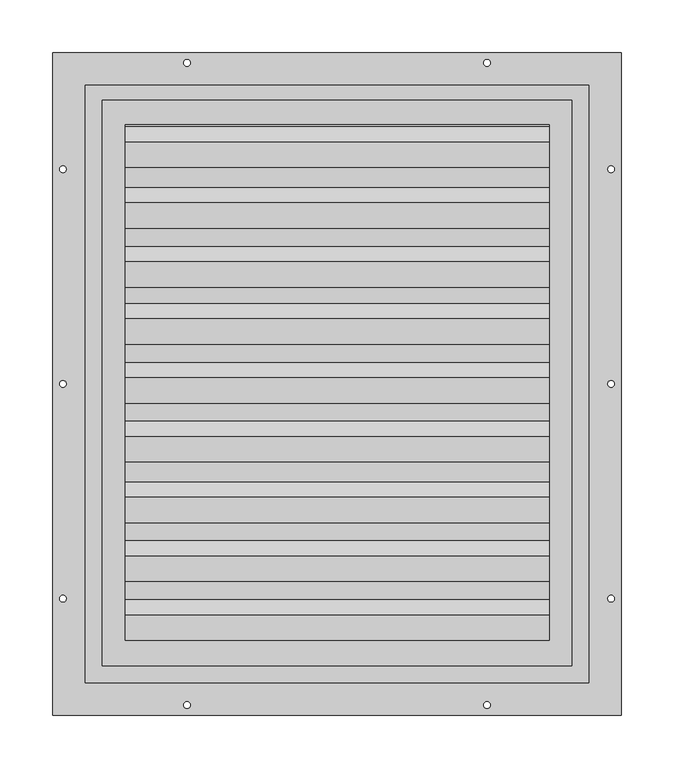
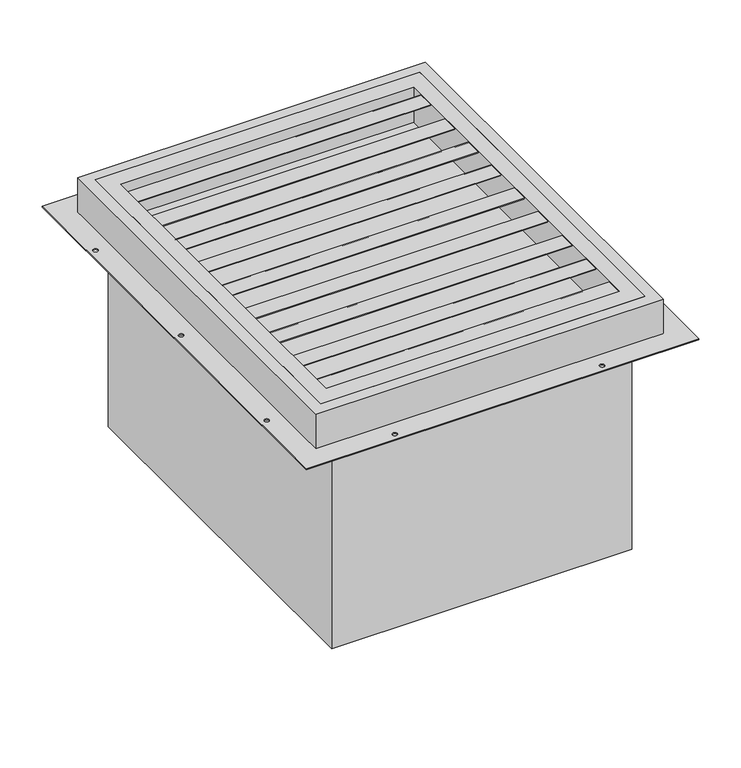
"""IFC4 building model written with IfcOpenShell, lengths in millimetres: proxy geometry."""

from ifc_helpers import new_model, si_unit, point, frame, frame_2d, origin, origin_with_axes, place, context, project, spatial, polyline, circle_curve, trimmed, segment, composite_curve, outline, extrude, source, transform, mapped, element, save


def generic_models_f74334f6(model_context):
    return source(origin(), model_context, "Body", "SweptSolid", [
        extrude(outline(polyline([(-204.3155681, 26.8411275), (-205.3315681, 26.8411275), (-205.3315681, 34.9292863), (-219.1048184, 48.7025366), (-242.6454412, 48.7025366), (-242.6454412, 49.7185366), (-218.6839774, 49.7185366), (-204.3155681, 35.3501273), (-204.3155681, 26.8411275)])), frame((-200.6346, 0.0, 0.0), z_axis=(1.0, 0.0, 0.0), x_axis=(0.0, 1.0, 0.0)), (0.0, 0.0, 1.0), 406.2222),
        extrude(outline(polyline([(-148.5879681, 26.8411275), (-149.6039681, 26.8411275), (-149.6039681, 34.9292863), (-163.3772184, 48.7025366), (-186.9178412, 48.7025366), (-186.9178412, 49.7185366), (-162.9563774, 49.7185366), (-148.5879681, 35.3501273), (-148.5879681, 26.8411275)])), frame((-200.6346, 0.0, 0.0), z_axis=(1.0, 0.0, 0.0), x_axis=(0.0, 1.0, 0.0)), (0.0, 0.0, 1.0), 406.2222),
        extrude(outline(polyline([(-92.8603681, 26.8411275), (-93.8763681, 26.8411275), (-93.8763681, 34.9292863), (-107.6496184, 48.7025366), (-131.1902412, 48.7025366), (-131.1902412, 49.7185366), (-107.2287774, 49.7185366), (-92.8603681, 35.3501273), (-92.8603681, 26.8411275)])), frame((-200.6346, 0.0, 0.0), z_axis=(1.0, 0.0, 0.0), x_axis=(0.0, 1.0, 0.0)), (0.0, 0.0, 1.0), 406.2222),
        extrude(outline(polyline([(-35.422907, 26.8411275), (-36.438907, 26.8411275), (-36.438907, 34.9292863), (-50.2121574, 48.7025366), (-73.7527802, 48.7025366), (-73.7527802, 49.7185366), (-49.7913164, 49.7185366), (-35.422907, 35.3501273), (-35.422907, 26.8411275)])), frame((-200.6346, 0.0, 0.0), z_axis=(1.0, 0.0, 0.0), x_axis=(0.0, 1.0, 0.0)), (0.0, 0.0, 1.0), 406.2222),
        extrude(outline(polyline([(20.304693, 26.8411275), (19.288693, 26.8411275), (19.288693, 34.9292863), (5.5154426, 48.7025366), (-18.0251802, 48.7025366), (-18.0251802, 49.7185366), (5.9362836, 49.7185366), (20.304693, 35.3501273), (20.304693, 26.8411275)])), frame((-200.6346, 0.0, 0.0), z_axis=(1.0, 0.0, 0.0), x_axis=(0.0, 1.0, 0.0)), (0.0, 0.0, 1.0), 406.2222),
        extrude(outline(polyline([(76.032293, 26.8411275), (75.016293, 26.8411275), (75.016293, 34.9292863), (61.2430426, 48.7025366), (37.7024198, 48.7025366), (37.7024198, 49.7185366), (61.6638836, 49.7185366), (76.032293, 35.3501273), (76.032293, 26.8411275)])), frame((-200.6346, 0.0, 0.0), z_axis=(1.0, 0.0, 0.0), x_axis=(0.0, 1.0, 0.0)), (0.0, 0.0, 1.0), 406.2222),
        extrude(outline(polyline([(130.0500319, 26.8411275), (129.0340319, 26.8411275), (129.0340319, 34.9292863), (115.2607816, 48.7025366), (91.7201588, 48.7025366), (91.7201588, 49.7185366), (115.6816226, 49.7185366), (130.0500319, 35.3501273), (130.0500319, 26.8411275)])), frame((-200.6346, 0.0, 0.0), z_axis=(1.0, 0.0, 0.0), x_axis=(0.0, 1.0, 0.0)), (0.0, 0.0, 1.0), 406.2222),
        extrude(outline(polyline([(185.7776319, 26.8411275), (184.7616319, 26.8411275), (184.7616319, 34.9292863), (170.9883816, 48.7025366), (147.4477588, 48.7025366), (147.4477588, 49.7185366), (171.4092226, 49.7185366), (185.7776319, 35.3501273), (185.7776319, 26.8411275)])), frame((-200.6346, 0.0, 0.0), z_axis=(1.0, 0.0, 0.0), x_axis=(0.0, 1.0, 0.0)), (0.0, 0.0, 1.0), 406.2222),
        extrude(outline(polyline([(243.215093, 26.8411275), (242.199093, 26.8411275), (242.199093, 34.9292863), (228.4258426, 48.7025366), (204.8852198, 48.7025366), (204.8852198, 49.7185366), (228.8466836, 49.7185366), (243.215093, 35.3501273), (243.215093, 26.8411275)])), frame((-200.6346, 0.0, 0.0), z_axis=(1.0, 0.0, 0.0), x_axis=(0.0, 1.0, 0.0)), (0.0, 0.0, 1.0), 406.2222),
        extrude(outline(polyline([(222.25, 268.4018), (222.25, -266.7), (-222.25, -266.7), (-222.25, 268.4018), (222.25, 268.4018)]), holes=[polyline([(-200.6346, -242.6454412), (200.7616, -242.6454412), (200.7616, 245.2116), (-200.6346, 245.2116), (-200.6346, -242.6454412)])]), origin_with_axes(), (0.0, 0.0, 1.0), 50.8),
        extrude(outline(composite_curve([segment(trimmed(circle_curve(frame_2d((0.0, 50.8)), 101.6), [point((-101.6, 50.8))], [point((101.6, 50.8))], False, "CARTESIAN"), True, "CONTINUOUS"), segment(trimmed(circle_curve(frame_2d((0.0, 50.8)), 101.6), [point((101.6, 50.8))], [point((-101.6, 50.8))], False, "CARTESIAN"), True, "CONTINUOUS")], self_intersect=False)), frame((0.0, 0.0, -345.948), z_axis=(0.0, 0.0, 1.0), x_axis=(1.0, 0.0, 0.0)), (0.0, 0.0, 1.0), 35.306),
        extrude(outline(composite_curve([segment(trimmed(circle_curve(frame_2d((0.0, 50.8)), 63.5), [point((-63.5, 50.8))], [point((63.5, 50.8))], False, "CARTESIAN"), True, "CONTINUOUS"), segment(trimmed(circle_curve(frame_2d((0.0, 50.8)), 63.5), [point((63.5, 50.8))], [point((-63.5, 50.8))], False, "CARTESIAN"), True, "CONTINUOUS")], self_intersect=False)), frame((0.0, 0.0, -371.348), z_axis=(0.0, 0.0, 1.0), x_axis=(1.0, 0.0, 0.0)), (0.0, 0.0, 1.0), 25.4),
        extrude(outline(polyline([(-205.5876, -264.4659678), (-205.5876, 265.9126), (205.5876, 265.9126), (205.5876, -264.4659678), (-205.5876, -264.4659678)])), frame((0.0, 0.0, -311.15), z_axis=(0.0, 0.0, 1.0), x_axis=(1.0, 0.0, 0.0)), (0.0, 0.0, 1.0), 311.15),
        extrude(outline(polyline([(-238.125, -282.575), (-238.125, 282.575), (238.125, 282.575), (238.125, -282.575), (-238.125, -282.575)]), holes=[polyline([(222.25, 268.4018), (-222.25, 268.4018), (-222.25, -266.7), (222.25, -266.7), (222.25, 268.4018)])]), origin_with_axes(), (0.0, 0.0, 1.0), 50.8),
        extrude(outline(polyline([(-268.9606, 313.4106), (268.9606, 313.4106), (268.9606, -313.4106), (-268.9606, -313.4106), (-268.9606, 313.4106)]), holes=[polyline([(-238.125, -282.575), (238.125, -282.575), (238.125, 282.575), (-238.125, 282.575), (-238.125, -282.575)]), composite_curve([segment(trimmed(circle_curve(frame_2d((-259.4356, -203.2)), 3.175), [point((-262.6106, -203.2))], [point((-256.2606, -203.2))], True, "CARTESIAN"), True, "CONTINUOUS"), segment(trimmed(circle_curve(frame_2d((-259.4356, -203.2)), 3.175), [point((-256.2606, -203.2))], [point((-262.6106, -203.2))], True, "CARTESIAN"), True, "CONTINUOUS")], self_intersect=False), composite_curve([segment(trimmed(circle_curve(frame_2d((-141.9606, -303.8856)), 3.175), [point((-145.1356, -303.8856))], [point((-138.7856, -303.8856))], True, "CARTESIAN"), True, "CONTINUOUS"), segment(trimmed(circle_curve(frame_2d((-141.9606, -303.8856)), 3.175), [point((-138.7856, -303.8856))], [point((-145.1356, -303.8856))], True, "CARTESIAN"), True, "CONTINUOUS")], self_intersect=False), composite_curve([segment(trimmed(circle_curve(frame_2d((141.9606, -303.8856)), 3.175), [point((138.7856, -303.8856))], [point((145.1356, -303.8856))], True, "CARTESIAN"), True, "CONTINUOUS"), segment(trimmed(circle_curve(frame_2d((141.9606, -303.8856)), 3.175), [point((145.1356, -303.8856))], [point((138.7856, -303.8856))], True, "CARTESIAN"), True, "CONTINUOUS")], self_intersect=False), composite_curve([segment(trimmed(circle_curve(frame_2d((259.4356, -203.2)), 3.175), [point((256.2606, -203.2))], [point((262.6106, -203.2))], True, "CARTESIAN"), True, "CONTINUOUS"), segment(trimmed(circle_curve(frame_2d((259.4356, -203.2)), 3.175), [point((262.6106, -203.2))], [point((256.2606, -203.2))], True, "CARTESIAN"), True, "CONTINUOUS")], self_intersect=False), composite_curve([segment(trimmed(circle_curve(frame_2d((259.4356, 0.0)), 3.175), [point((256.2606, 0.0))], [point((262.6106, 0.0))], True, "CARTESIAN"), True, "CONTINUOUS"), segment(trimmed(circle_curve(frame_2d((259.4356, 0.0)), 3.175), [point((262.6106, 0.0))], [point((256.2606, 0.0))], True, "CARTESIAN"), True, "CONTINUOUS")], self_intersect=False), composite_curve([segment(trimmed(circle_curve(frame_2d((259.4356, 203.2)), 3.175), [point((256.2606, 203.2))], [point((262.6106, 203.2))], True, "CARTESIAN"), True, "CONTINUOUS"), segment(trimmed(circle_curve(frame_2d((259.4356, 203.2)), 3.175), [point((262.6106, 203.2))], [point((256.2606, 203.2))], True, "CARTESIAN"), True, "CONTINUOUS")], self_intersect=False), composite_curve([segment(trimmed(circle_curve(frame_2d((141.9606, 303.8856)), 3.175), [point((138.7856, 303.8856))], [point((145.1356, 303.8856))], True, "CARTESIAN"), True, "CONTINUOUS"), segment(trimmed(circle_curve(frame_2d((141.9606, 303.8856)), 3.175), [point((145.1356, 303.8856))], [point((138.7856, 303.8856))], True, "CARTESIAN"), True, "CONTINUOUS")], self_intersect=False), composite_curve([segment(trimmed(circle_curve(frame_2d((-141.9606, 303.8856)), 3.175), [point((-145.1356, 303.8856))], [point((-138.7856, 303.8856))], True, "CARTESIAN"), True, "CONTINUOUS"), segment(trimmed(circle_curve(frame_2d((-141.9606, 303.8856)), 3.175), [point((-138.7856, 303.8856))], [point((-145.1356, 303.8856))], True, "CARTESIAN"), True, "CONTINUOUS")], self_intersect=False), composite_curve([segment(trimmed(circle_curve(frame_2d((-259.4356, 203.2)), 3.175), [point((-262.6106, 203.2))], [point((-256.2606, 203.2))], True, "CARTESIAN"), True, "CONTINUOUS"), segment(trimmed(circle_curve(frame_2d((-259.4356, 203.2)), 3.175), [point((-256.2606, 203.2))], [point((-262.6106, 203.2))], True, "CARTESIAN"), True, "CONTINUOUS")], self_intersect=False), composite_curve([segment(trimmed(circle_curve(frame_2d((-259.4356, 0.0)), 3.175), [point((-262.6106, 0.0))], [point((-256.2606, 0.0))], True, "CARTESIAN"), True, "CONTINUOUS"), segment(trimmed(circle_curve(frame_2d((-259.4356, 0.0)), 3.175), [point((-256.2606, 0.0))], [point((-262.6106, 0.0))], True, "CARTESIAN"), True, "CONTINUOUS")], self_intersect=False)]), origin_with_axes(), (0.0, 0.0, 1.0), 1.016),
    ])


if __name__ == "__main__":
    model = new_model("IFC4")
    model_context = context("Model", 3, world=origin())
    ifc_project = project(units=[si_unit("LENGTHUNIT", "METRE", prefix="MILLI")], contexts=[model_context])
    site = spatial("IfcSite", under=ifc_project)
    building = spatial("IfcBuilding", under=site)
    placement = place(None, origin())
    generic_models_shape = generic_models_f74334f6(model_context)
    element("IfcBuildingElementProxy", 1, Name="Generic Models", at=placement, inside=building, context=model_context, shape_type="MappedRepresentation", body=[
        mapped(generic_models_shape, transform((0.0, 0.0, 0.0), x_axis=(1.0, 0.0, 0.0), y_axis=(0.0, 1.0, 0.0), z_axis=(0.0, 0.0, 1.0))),
    ])
    save(model, "model.ifc")
